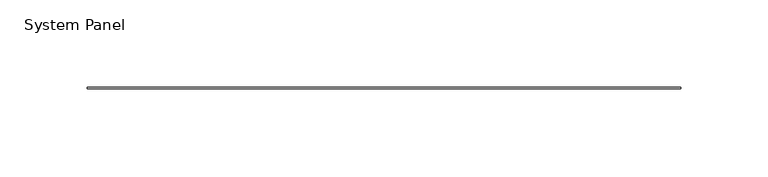
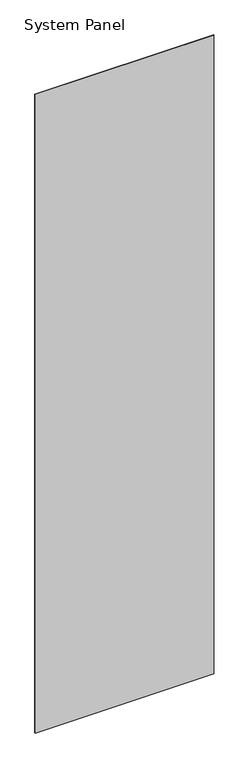
"""IFC4 building model written with IfcOpenShell, lengths in millimetres: plate geometry, System Panel."""

from ifc_helpers import new_model, si_unit, origin, origin_with_axes, place, context, project, spatial, polyline, outline, extrude, source, transform, mapped, element, save


def system_panel_9e7dd6e6(model_context):
    return source(origin(), model_context, "Body", "SweptSolid", [
        extrude(outline(polyline([(170.18, -0.4960938), (-170.18, -0.4960938), (-170.18, 0.4960938), (170.18, 0.4960938), (170.18, -0.4960938)])), origin_with_axes(), (0.0, 0.0, 1.0), 1285.875),
    ])


if __name__ == "__main__":
    model = new_model("IFC4")
    model_context = context("Model", 3, world=origin())
    ifc_project = project(units=[si_unit("LENGTHUNIT", "METRE", prefix="MILLI")], contexts=[model_context])
    site = spatial("IfcSite", under=ifc_project)
    building = spatial("IfcBuilding", under=site)
    placement = place(None, origin())
    system_panel_shape = system_panel_9e7dd6e6(model_context)
    element("IfcPlate", 1, ObjectType="System Panel", at=placement, inside=building, context=model_context, shape_type="MappedRepresentation", body=[
        mapped(system_panel_shape, transform((0.0, 0.0, 0.0), x_axis=(1.0, 0.0, 0.0), y_axis=(0.0, 1.0, 0.0), z_axis=(0.0, 0.0, 1.0))),
    ])
    save(model, "model.ifc")
